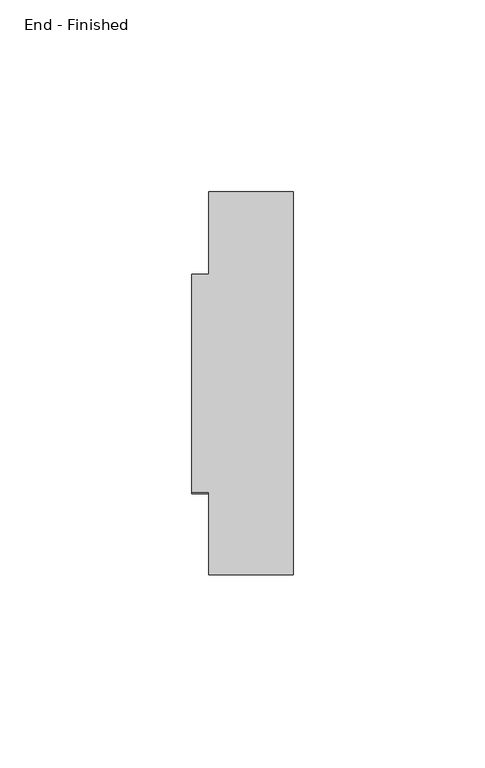
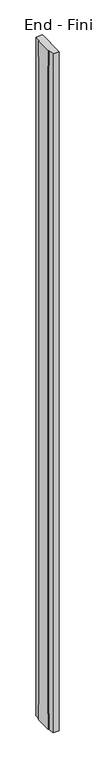
"""IFC4 building model written with IfcOpenShell, lengths in millimetres: furniture geometry, End - Finished."""

import ifcopenshell
import ifcopenshell.guid

model = None  # the IFC model being written
_history = None  # IfcOwnerHistory: only IFC2X3 demands one
_inside = {}  # id of a spatial element -> (the spatial element, [elements in it])
_under = {}  # id of a project, library or spatial element -> (it, [spatial elements below it])
_declared = {}  # id of a project -> (the project, [libraries it declares])
_typed = {}  # id of a type object -> (the type object, [elements of that type])
_made_of = {}  # id of a material, layer set ... -> (it, [elements and type objects made of it])


def new_model(schema):
    """Start an empty IFC model of exactly this schema.

    Asked for "IFC4X3", IfcOpenShell would pick the latest addendum, in which some entities
    have other attributes; the version numbers below select the first issue.
    IFC2X3 requires an IfcOwnerHistory on every rooted entity: one is made here for all.
    """
    global model, _history
    if schema == "IFC4X3":
        model = ifcopenshell.file(schema_version=(4, 3, 0, 0))
    else:
        model = ifcopenshell.file(schema=schema)
    _inside.clear()
    _under.clear()
    _declared.clear()
    _typed.clear()
    _made_of.clear()
    _history = None
    if model.schema == "IFC2X3":
        org = make("IfcOrganization", Name="unknown")
        user = make(
            "IfcPersonAndOrganization",
            ThePerson=make("IfcPerson", FamilyName="unknown"),
            TheOrganization=org,
        )
        app = make(
            "IfcApplication",
            ApplicationDeveloper=org,
            Version="unknown",
            ApplicationFullName="unknown",
            ApplicationIdentifier="unknown",
        )
        _history = make(
            "IfcOwnerHistory",
            OwningUser=user,
            OwningApplication=app,
            ChangeAction="ADDED",
            CreationDate=0,
        )
    return model


def make(cls, **values):
    """One entity of the class cls with the attributes given. An attribute that is None is left unset."""
    return model.create_entity(
        cls, **{name: value for name, value in values.items() if value is not None}
    )


def rooted(cls, **values):
    """An entity with a GlobalId (a new one), such as an element, a storey or a relation."""
    return make(cls, GlobalId=ifcopenshell.guid.new(), OwnerHistory=_history, **values)


def si_unit(unit_type, name, prefix=None):
    """IfcSIUnit, for example si_unit("LENGTHUNIT", "METRE", prefix="MILLI")."""
    return make("IfcSIUnit", UnitType=unit_type, Prefix=prefix, Name=name)


def assignment(units):
    """IfcUnitAssignment: the units of a project."""
    return None if units is None else make("IfcUnitAssignment", Units=units)


def point(xyz):
    """IfcCartesianPoint."""
    return None if xyz is None else make("IfcCartesianPoint", Coordinates=xyz)


def direction(xyz):
    """IfcDirection."""
    return None if xyz is None else make("IfcDirection", DirectionRatios=xyz)


def frame(location, z_axis=None, x_axis=None):
    """IfcAxis2Placement3D, a coordinate frame: its origin and axes. An axis left out is left unset."""
    return make(
        "IfcAxis2Placement3D",
        Location=point(location),
        Axis=direction(z_axis),
        RefDirection=direction(x_axis),
    )


def origin():
    """The frame at (0, 0, 0) with its axes left unset."""
    return frame((0.0, 0.0, 0.0))


def place(relative_to, where):
    """IfcLocalPlacement: puts the frame where relative to a parent placement (None: the world)."""
    return make(
        "IfcLocalPlacement", PlacementRelTo=relative_to, RelativePlacement=where
    )


def context(
    kind, dimensions, precision=None, world=None, true_north=None, identifier=None
):
    """IfcGeometricRepresentationContext, for example the 3D "Model" context."""
    return make(
        "IfcGeometricRepresentationContext",
        ContextIdentifier=identifier,
        ContextType=kind,
        CoordinateSpaceDimension=dimensions,
        Precision=precision,
        WorldCoordinateSystem=world,
        TrueNorth=true_north,
    )


def project(units=None, contexts=None):
    """IfcProject with its units and contexts."""
    return rooted(
        "IfcProject",
        Name="project",
        RepresentationContexts=contexts,
        UnitsInContext=assignment(units),
    )


def spatial(cls, under=None, at=None, **own):
    """A site, building, storey or space (cls), placed at a placement, below another one or the project."""
    s = rooted(cls, ObjectPlacement=at, **own)
    if under is not None:
        _under.setdefault(under.id(), (under, []))[1].append(s)
    return s


def faces_of(points, faces, orient=None, outer=None):
    """IfcFace entities. A face is a list of loops; a loop is a list of indices into points, from 0.

    orient and outer hold one flag for each loop. By default every Orientation is true, the
    first loop of a face is its IfcFaceOuterBound and the others are IfcFaceBound.
    """
    made = []
    for i, loops in enumerate(faces):
        bounds = []
        for j, loop in enumerate(loops):
            is_outer = j == 0 if outer is None else outer[i][j]
            bounds.append(
                make(
                    "IfcFaceOuterBound" if is_outer else "IfcFaceBound",
                    Bound=make("IfcPolyLoop", Polygon=[points[k] for k in loop]),
                    Orientation=True if orient is None else orient[i][j],
                )
            )
        made.append(make("IfcFace", Bounds=bounds))
    return made


def faceted_brep(points, faces, orient=None, outer=None, voids=None):
    """IfcFacetedBrep: a solid bounded by flat faces; with voids (closed shells), ...WithVoids."""
    shared = [point(p) for p in points]
    hull = make("IfcClosedShell", CfsFaces=faces_of(shared, faces, orient, outer))
    if voids is None:
        return make("IfcFacetedBrep", Outer=hull)
    return make(
        "IfcFacetedBrepWithVoids",
        Outer=hull,
        Voids=[
            make(cls, CfsFaces=faces_of(shared, fs, o, b)) for cls, fs, o, b in voids
        ],
    )


def shape(context_of_items, identifier, shape_type, items):
    """IfcShapeRepresentation: the items that make up one representation, for example the "Body"."""
    return make(
        "IfcShapeRepresentation",
        ContextOfItems=context_of_items,
        RepresentationIdentifier=identifier,
        RepresentationType=shape_type,
        Items=items,
    )


def source(mapping_origin, context_of_items, identifier, shape_type, items):
    """IfcRepresentationMap: a shape defined once, which mapped items show again and again."""
    return make(
        "IfcRepresentationMap",
        MappingOrigin=mapping_origin,
        MappedRepresentation=shape(context_of_items, identifier, shape_type, items),
    )


def transform(
    local_origin,
    x_axis=None,
    y_axis=None,
    z_axis=None,
    scale=None,
    scale2=None,
    scale3=None,
    uniform=True,
):
    """IfcCartesianTransformationOperator3D, or its non-uniform kind. x_axis, y_axis, z_axis: its Axis1, 2, 3."""
    if uniform:
        return make(
            "IfcCartesianTransformationOperator3D",
            Axis1=direction(x_axis),
            Axis2=direction(y_axis),
            LocalOrigin=point(local_origin),
            Scale=scale,
            Axis3=direction(z_axis),
        )
    return make(
        "IfcCartesianTransformationOperator3DnonUniform",
        Axis1=direction(x_axis),
        Axis2=direction(y_axis),
        LocalOrigin=point(local_origin),
        Scale=scale,
        Axis3=direction(z_axis),
        Scale2=scale2,
        Scale3=scale3,
    )


def mapped(mapping_source, mapping_target):
    """IfcMappedItem: shows the shape of a source again, moved by a transform."""
    return make(
        "IfcMappedItem", MappingSource=mapping_source, MappingTarget=mapping_target
    )


def made_of(thing, what):
    """Note that an element or type object is made of a material, layer set ...; save() writes the relation."""
    if what is not None:
        _made_of.setdefault(what.id(), (what, []))[1].append(thing)
    return thing


def element(
    cls,
    number,
    at=None,
    inside=None,
    cuts=None,
    type_object=None,
    material=None,
    context=None,
    identifier="Body",
    shape_type=None,
    held_by="IfcProductDefinitionShape",
    body=None,
    shapes=None,
    **own,
):
    """One element of the class cls, such as IfcWall. Its Tag is "e" and its number.

    at: its placement. inside: the storey or other place that contains it. cuts: it is an
    opening in that element (IfcRelVoidsElement). A single representation is given by context,
    identifier, shape_type and body (its items); several are given by shapes. held_by: the class
    of the entity that holds the representations. save() writes the other relations.
    """
    e = rooted(cls, Tag="e%d" % number, ObjectPlacement=at, **own)
    if body is not None:
        shapes = [shape(context, identifier, shape_type, body)]
    if shapes is not None:
        e.Representation = make(held_by, Representations=shapes)
    if inside is not None:
        _inside.setdefault(inside.id(), (inside, []))[1].append(e)
    if cuts is not None:
        rooted(
            "IfcRelVoidsElement", RelatingBuildingElement=cuts, RelatedOpeningElement=e
        )
    if type_object is not None:
        _typed.setdefault(type_object.id(), (type_object, []))[1].append(e)
    return made_of(e, material)


def aggregate(whole, parts):
    """IfcRelAggregates: a whole, such as a stair, and the parts it consists of."""
    return rooted("IfcRelAggregates", RelatingObject=whole, RelatedObjects=parts)


def save(model, path):
    """Write the relations noted so far, then the file.

    IfcRelAggregates (storeys below a building ...), IfcRelContainedInSpatialStructure (elements
    in a storey), IfcRelDefinesByType, IfcRelAssociatesMaterial and IfcRelDeclares: one each for
    every whole, place, type object, material and project.
    """
    for whole, parts in _under.values():
        aggregate(whole, parts)
    for where, things in _inside.values():
        rooted(
            "IfcRelContainedInSpatialStructure",
            RelatedElements=things,
            RelatingStructure=where,
        )
    for kind, things in _typed.values():
        rooted("IfcRelDefinesByType", RelatedObjects=things, RelatingType=kind)
    for what, things in _made_of.values():
        rooted("IfcRelAssociatesMaterial", RelatedObjects=things, RelatingMaterial=what)
    for by, libraries in _declared.values():
        rooted("IfcRelDeclares", RelatingContext=by, RelatedDefinitions=libraries)
    model.write(path)


def end_finished_740d6ee1(model_context):
    return source(origin(), model_context, "Body", "Brep", [
        faceted_brep([(0.0, -1749.552, 2408.682), (0.0, -1752.854, 2408.682), (0.0, -1752.854, 55.118), (0.0, -1749.552, 55.118), (0.0, -1749.552, 0.0), (0.0, -1806.448, 0.0), (0.0, -1806.448, 55.118), (0.0, -1803.146, 55.118), (0.0, -1803.146, 2408.682), (0.0, -1806.448, 2408.682), (0.0, -1806.448, 2463.8), (0.0, -1749.552, 2463.8), (4.4958, -1749.552, 2463.8), (4.4958, -1749.552, 2408.682), (4.4958, -1806.448, 2463.8), (4.4958, -1827.9999, 2463.8), (26.4922, -1827.9999, 2463.8), (26.4922, -1728.0001, 2463.8), (4.4958, -1728.0001, 2463.8), (4.4958, -1806.448, 2408.682), (4.4958, -1803.146, 2408.682), (4.4958, -1803.146, 55.118), (4.4958, -1806.448, 55.118), (4.4958, -1806.448, 0.0), (4.4958, -1749.552, 0.0), (4.4958, -1728.0001, 0.0), (26.4922, -1728.0001, 0.0), (26.4922, -1827.9999, 0.0), (4.4958, -1827.9999, 0.0), (4.4958, -1749.552, 55.118), (4.4958, -1752.854, 55.118), (4.4958, -1752.854, 2408.682)], [[[0, 1, 2, 3, 4, 5, 6, 7, 8, 9, 10, 11]], [[0, 11, 12, 13]], [[11, 10, 14, 15, 16, 17, 18, 12]], [[10, 9, 19, 14]], [[9, 8, 20, 19]], [[8, 7, 21, 20]], [[7, 6, 22, 21]], [[6, 5, 23, 22]], [[5, 4, 24, 25, 26, 27, 28, 23]], [[4, 3, 29, 24]], [[3, 2, 30, 29]], [[2, 1, 31, 30]], [[1, 0, 13, 31]], [[18, 17, 26, 25]], [[18, 25, 24, 29, 30, 31, 13, 12]], [[28, 15, 14, 19, 20, 21, 22, 23]], [[16, 15, 28, 27]], [[17, 16, 27, 26]]]),
    ])


if __name__ == "__main__":
    model = new_model("IFC4")
    model_context = context("Model", 3, world=origin())
    ifc_project = project(units=[si_unit("LENGTHUNIT", "METRE", prefix="MILLI")], contexts=[model_context])
    site = spatial("IfcSite", under=ifc_project)
    building = spatial("IfcBuilding", under=site)
    placement = place(None, origin())
    end_finished_shape = end_finished_740d6ee1(model_context)
    element("IfcFurniture", 1, ObjectType="End - Finished", at=placement, inside=building, context=model_context, shape_type="MappedRepresentation", body=[
        mapped(end_finished_shape, transform((0.0, 0.0, 0.0), x_axis=(1.0, 0.0, 0.0), y_axis=(0.0, 1.0, 0.0), z_axis=(0.0, 0.0, 1.0))),
    ])
    save(model, "model.ifc")
